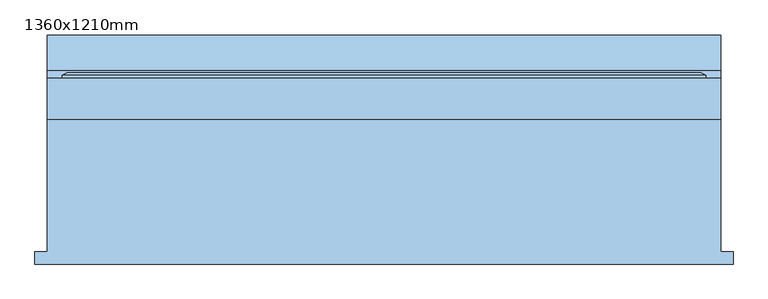
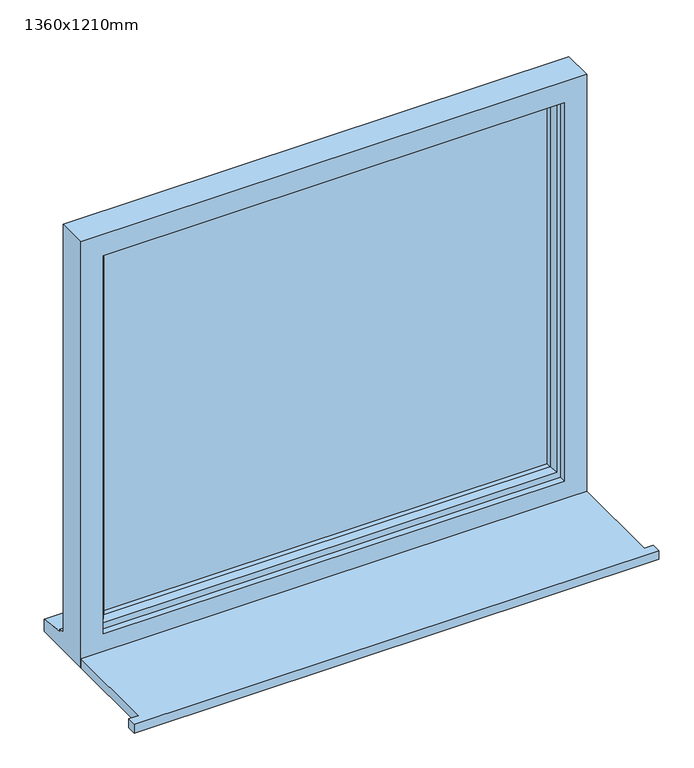
"""IFC4 building model written with IfcOpenShell, lengths in millimetres: window geometry, 1360x1210mm."""

from ifc_helpers import new_model, si_unit, frame, origin, place, context, project, spatial, polyline, outline, extrude, faceted_brep, source, transform, mapped, element, save


def window_1360x1210mm_d17497bb(model_context):
    return source(origin(), model_context, "Body", "SolidModel", [
        extrude(outline(polyline([(-705.0, -216.5434322), (-705.0, -191.5434322), (-680.0, -191.5434322), (-680.0, 75.4565678), (680.0, 75.4565678), (680.0, -191.5434322), (705.0, -191.5434322), (705.0, -216.5434322), (-705.0, -216.5434322)])), frame((0.0, 0.0, 900.0), z_axis=(0.0, 0.0, 1.0), x_axis=(1.0, 0.0, 0.0)), (0.0, 0.0, 1.0), 25.0),
        faceted_brep([(-680.0, 75.4565678, 900.0), (680.0, 75.4565678, 900.0), (680.0, 75.4565678, 2110.0), (-680.0, 75.4565678, 2110.0), (-620.0, 75.4565678, 2050.0), (620.0, 75.4565678, 2050.0), (620.0, 75.4565678, 975.0), (-620.0, 75.4565678, 975.0), (-680.0, 158.4565678, 2110.0), (-680.0, 158.4565678, 951.0), (-680.0, 173.4565678, 949.68767), (-680.0, 173.4565678, 944.7449676), (-680.0, 245.9565678, 933.8088847), (-680.0, 245.9565678, 900.0), (680.0, 158.4565678, 2110.0), (680.0, 158.4565678, 951.0), (-640.0, 158.4565678, 2070.0), (-640.0, 158.4565678, 963.0), (640.0, 158.4565678, 963.0), (640.0, 158.4565678, 2070.0), (-640.0, 93.4565678, 2070.0), (-640.0, 93.4565678, 963.0), (640.0, 93.4565678, 2070.0), (640.0, 93.4565678, 963.0), (-620.0, 93.4565678, 2050.0), (-620.0, 93.4565678, 975.0), (620.0, 93.4565678, 975.0), (620.0, 93.4565678, 2050.0), (680.0, 245.9565678, 900.0), (680.0, 245.9565678, 933.8088847), (680.0, 173.4565678, 944.7449676), (680.0, 173.4565678, 949.68767)], [[[0, 1, 2, 3], [4, 5, 6, 7]], [[0, 3, 8, 9, 10, 11, 12, 13]], [[9, 8, 14, 15], [16, 17, 18, 19]], [[17, 16, 20, 21]], [[20, 22, 23, 21], [24, 25, 26, 27]], [[24, 4, 7, 25]], [[3, 2, 14, 8]], [[16, 19, 22, 20]], [[5, 4, 24, 27]], [[15, 14, 2, 1, 28, 29, 30, 31]], [[19, 18, 23, 22]], [[5, 27, 26, 6]], [[28, 1, 0, 13]], [[29, 28, 13, 12]], [[30, 29, 12, 11]], [[31, 30, 11, 10]], [[15, 31, 10, 9]], [[21, 23, 18, 17]], [[7, 6, 26, 25]]]),
        extrude(outline(polyline([(610.0, 122.4565678), (-610.0, 122.4565678), (-610.0, 146.4565678), (610.0, 146.4565678), (610.0, 122.4565678)])), frame((0.0, 0.0, 993.0), z_axis=(0.0, 0.0, 1.0), x_axis=(1.0, 0.0, 0.0)), (0.0, 0.0, 1.0), 1047.0),
        faceted_brep([(-650.0, 158.4565678, 2080.0), (-650.0, 164.2300705, 2080.0), (-650.0, 164.2300705, 953.0), (-650.0, 158.4565678, 953.0), (-640.0, 93.4565678, 2070.0), (-640.0, 158.4565678, 2070.0), (-640.0, 158.4565678, 963.0), (-640.0, 93.4565678, 963.0), (-600.0, 107.9494677, 2030.0), (-610.1480377, 93.4565678, 2040.1480377), (-610.1480377, 93.4565678, 992.8519623), (-600.0, 107.9494677, 1003.0), (-600.0, 122.4565678, 2030.0), (-600.0, 122.4565678, 1003.0), (-610.0, 146.4565678, 2040.0), (-610.0, 122.4565678, 2040.0), (-610.0, 122.4565678, 993.0), (-610.0, 146.4565678, 993.0), (-600.0, 164.2300705, 2030.0), (-600.0, 146.4565678, 2030.0), (-600.0, 146.4565678, 1003.0), (-600.0, 164.2300705, 1003.0), (-617.4457548, 170.0035732, 2047.4457548), (-617.4457548, 170.0035732, 985.5542452), (-639.2153903, 170.0035732, 2069.2153903), (-639.2153903, 170.0035732, 963.7846097), (650.0, 164.2300705, 953.0), (650.0, 158.4565678, 953.0), (640.0, 158.4565678, 963.0), (640.0, 93.4565678, 963.0), (610.1480377, 93.4565678, 992.8519623), (600.0, 107.9494677, 1003.0), (600.0, 122.4565678, 1003.0), (610.0, 122.4565678, 993.0), (610.0, 146.4565678, 993.0), (600.0, 146.4565678, 1003.0), (600.0, 164.2300705, 1003.0), (617.4457548, 170.0035732, 985.5542452), (639.2153903, 170.0035732, 963.7846097), (650.0, 164.2300705, 2080.0), (650.0, 158.4565678, 2080.0), (640.0, 158.4565678, 2070.0), (640.0, 93.4565678, 2070.0), (610.1480377, 93.4565678, 2040.1480377), (600.0, 107.9494677, 2030.0), (600.0, 122.4565678, 2030.0), (610.0, 122.4565678, 2040.0), (610.0, 146.4565678, 2040.0), (600.0, 146.4565678, 2030.0), (600.0, 164.2300705, 2030.0), (617.4457548, 170.0035732, 2047.4457548), (639.2153903, 170.0035732, 2069.2153903)], [[[0, 1, 2, 3]], [[4, 5, 6, 7]], [[8, 9, 10, 11]], [[12, 8, 11, 13]], [[14, 15, 16, 17]], [[18, 19, 20, 21]], [[22, 18, 21, 23]], [[1, 24, 25, 2]], [[3, 2, 26, 27]], [[7, 6, 28, 29]], [[11, 10, 30, 31]], [[13, 11, 31, 32]], [[17, 16, 33, 34]], [[21, 20, 35, 36]], [[23, 21, 36, 37]], [[2, 25, 38, 26]], [[27, 26, 39, 40]], [[29, 28, 41, 42]], [[31, 30, 43, 44]], [[32, 31, 44, 45]], [[34, 33, 46, 47]], [[36, 35, 48, 49]], [[37, 36, 49, 50]], [[26, 38, 51, 39]], [[40, 39, 1, 0]], [[3, 27, 40, 0], [5, 41, 28, 6]], [[42, 41, 5, 4]], [[7, 29, 42, 4], [9, 43, 30, 10]], [[44, 43, 9, 8]], [[45, 44, 8, 12]], [[15, 46, 33, 16], [13, 32, 45, 12]], [[47, 46, 15, 14]], [[17, 34, 47, 14], [19, 48, 35, 20]], [[49, 48, 19, 18]], [[50, 49, 18, 22]], [[24, 51, 38, 25], [23, 37, 50, 22]], [[39, 51, 24, 1]]]),
    ])


if __name__ == "__main__":
    model = new_model("IFC4")
    model_context = context("Model", 3, world=origin())
    ifc_project = project(units=[si_unit("LENGTHUNIT", "METRE", prefix="MILLI")], contexts=[model_context])
    site = spatial("IfcSite", under=ifc_project)
    building = spatial("IfcBuilding", under=site)
    placement = place(None, origin())
    window_1360x1210mm_shape = window_1360x1210mm_d17497bb(model_context)
    element("IfcWindow", 1, ObjectType="1360x1210mm", at=placement, inside=building, context=model_context, shape_type="MappedRepresentation", body=[
        mapped(window_1360x1210mm_shape, transform((0.0, 0.0, 0.0), x_axis=(1.0, 0.0, 0.0), y_axis=(0.0, 1.0, 0.0), z_axis=(0.0, 0.0, 1.0))),
    ])
    save(model, "model.ifc")
